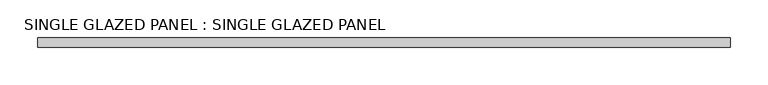
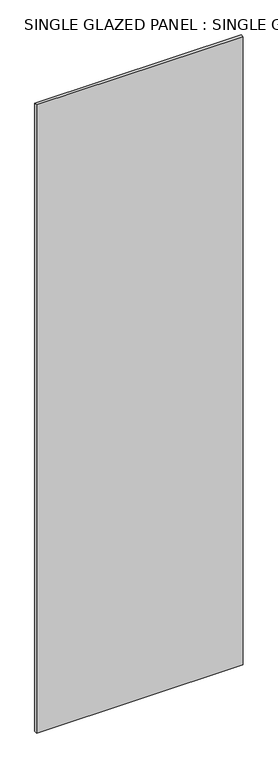
"""IFC4 building model written with IfcOpenShell, lengths in millimetres: plate geometry, SINGLE GLAZED PANEL : SINGLE GLAZED PANEL."""

from ifc_helpers import new_model, si_unit, origin, origin_with_axes, place, context, project, spatial, polyline, outline, extrude, source, transform, mapped, element, save


def single_glazed_panel_single_glazed_panel_de483ee3(model_context):
    return source(origin(), model_context, "Body", "SweptSolid", [
        extrude(outline(polyline([(461.9625, 6.35), (461.9625, -6.35), (-461.9625, -6.35), (-461.9625, 6.35), (461.9625, 6.35)])), origin_with_axes(), (0.0, 0.0, 1.0), 2968.625),
    ])


if __name__ == "__main__":
    model = new_model("IFC4")
    model_context = context("Model", 3, world=origin())
    ifc_project = project(units=[si_unit("LENGTHUNIT", "METRE", prefix="MILLI")], contexts=[model_context])
    site = spatial("IfcSite", under=ifc_project)
    building = spatial("IfcBuilding", under=site)
    placement = place(None, origin())
    single_glazed_panel_single_glazed_panel_shape = single_glazed_panel_single_glazed_panel_de483ee3(model_context)
    element("IfcPlate", 1, ObjectType="SINGLE GLAZED PANEL : SINGLE GLAZED PANEL", at=placement, inside=building, context=model_context, shape_type="MappedRepresentation", body=[
        mapped(single_glazed_panel_single_glazed_panel_shape, transform((0.0, 0.0, 0.0), x_axis=(1.0, 0.0, 0.0), y_axis=(0.0, 1.0, 0.0), z_axis=(0.0, 0.0, 1.0))),
    ])
    save(model, "model.ifc")
